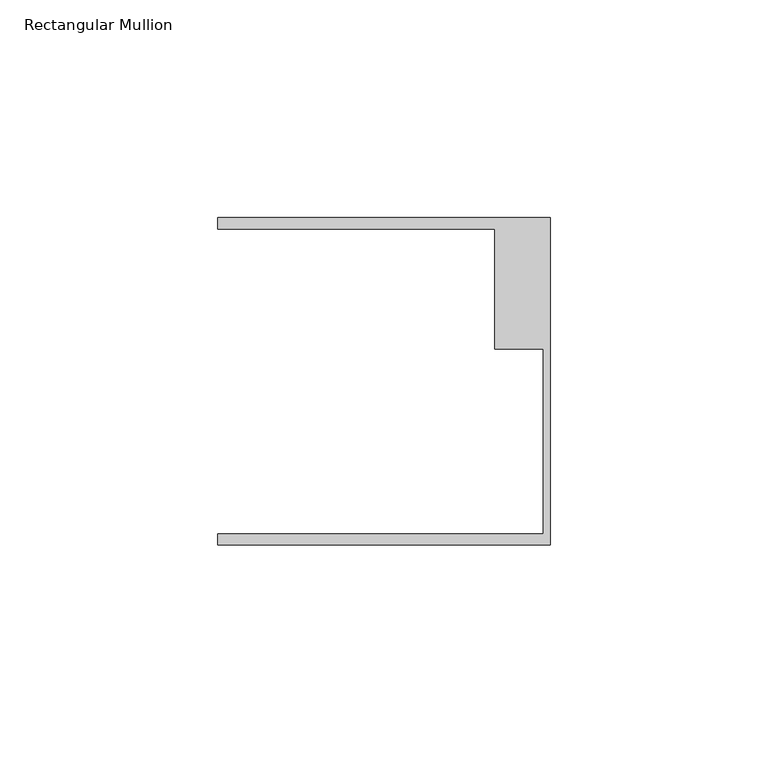
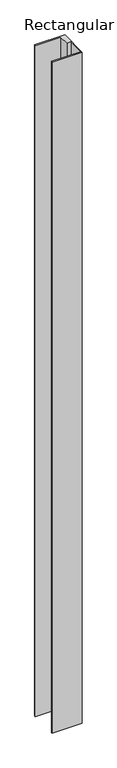
"""IFC4 building model written with IfcOpenShell, lengths in millimetres: member geometry, Rectangular Mullion."""

from ifc_helpers import new_model, si_unit, frame, origin, place, context, project, spatial, polyline, outline, extrude, source, transform, mapped, element, save


def rectangular_mullion_c0f0a2c9(model_context):
    return source(origin(), model_context, "Body", "SweptSolid", [
        extrude(outline(polyline([(0.0, -37.5776386), (-76.2, -37.5776386), (-76.2, -35.0376386), (-1.5875, -35.0376386), (-1.5875, 7.3398614), (-12.7, 7.3398614), (-12.7, 34.9623614), (-76.2, 34.9623614), (-76.2, 37.5023614), (0.0, 37.5023614), (0.0, -37.5776386)])), frame((0.0, 0.0, -1786.15), z_axis=(0.0, 0.0, 1.0), x_axis=(1.0, 0.0, 0.0)), (0.0, 0.0, 1.0), 1786.15),
    ])


if __name__ == "__main__":
    model = new_model("IFC4")
    model_context = context("Model", 3, world=origin())
    ifc_project = project(units=[si_unit("LENGTHUNIT", "METRE", prefix="MILLI")], contexts=[model_context])
    site = spatial("IfcSite", under=ifc_project)
    building = spatial("IfcBuilding", under=site)
    placement = place(None, origin())
    rectangular_mullion_shape = rectangular_mullion_c0f0a2c9(model_context)
    element("IfcMember", 1, ObjectType="Rectangular Mullion", at=placement, inside=building, context=model_context, shape_type="MappedRepresentation", body=[
        mapped(rectangular_mullion_shape, transform((0.0, 0.0, 0.0), x_axis=(1.0, 0.0, 0.0), y_axis=(0.0, 1.0, 0.0), z_axis=(0.0, 0.0, 1.0))),
    ])
    save(model, "model.ifc")
